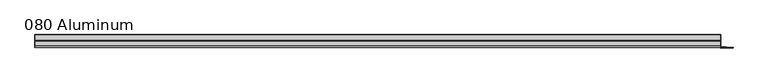
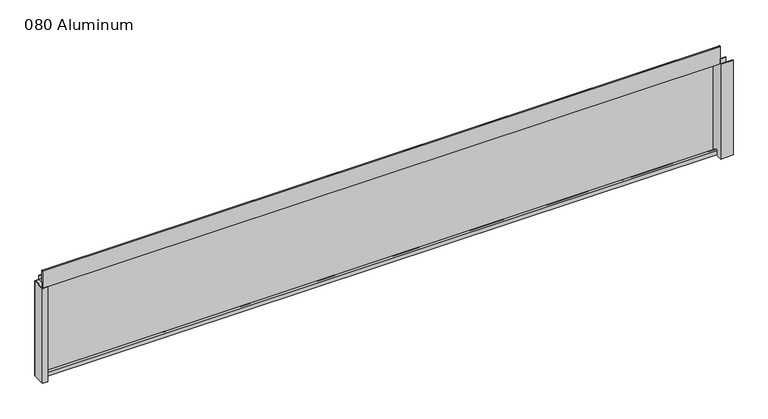
"""IFC4 building model written with IfcOpenShell, lengths in millimetres: plate geometry, 080 Aluminum."""

from ifc_helpers import new_model, si_unit, point, frame, frame_2d, origin, origin_with_axes, place, context, project, spatial, polyline, circle_curve, trimmed, segment, composite_curve, outline, extrude, source, transform, mapped, element, save


def plate_080_aluminum_24e2e65a(model_context):
    return source(origin(), model_context, "Body", "SweptSolid", [
        extrude(outline(polyline([(-919.48, 2.5660257), (-906.5894994, 2.5660257), (-906.5894994, 1.2699999), (-920.7499999, 1.2699999), (-920.7499999, 34.7980001), (-919.48, 34.7980001), (-919.48, 2.5660257)])), origin_with_axes(), (0.0, 0.0, 1.0), 270.13),
        extrude(outline(composite_curve([segment(trimmed(circle_curve(frame_2d((19.8514743, 13.124237)), 3.175), [point((16.6765477, 13.1458337))], [point((23.0264743, 13.124237))], False, "CARTESIAN"), True, "CONTINUOUS"), segment(polyline([(23.0264743, 13.124237), (23.0264743, 1.2693678), (34.7980002, 1.2693678), (34.7980002, 0.0), (21.7564743, 0.0), (21.7564743, 13.124237)]), True, "CONTINUOUS"), segment(trimmed(circle_curve(frame_2d((19.8514743, 13.124237)), 1.905), [point((21.7564743, 13.124237))], [point((17.9464915, 13.1323356))], True, "CARTESIAN"), True, "CONTINUOUS"), segment(polyline([(17.9464915, 13.1323356), (17.9464915, 2.786437), (16.6765477, 2.786437), (16.6765477, 13.1458337)]), True, "CONTINUOUS")], self_intersect=False)), frame((-919.48, 0.0, 0.0), z_axis=(1.0, 0.0, 0.0), x_axis=(0.0, 1.0, 0.0)), (0.0, 0.0, 1.0), 1826.26),
        extrude(outline(composite_curve([segment(trimmed(circle_curve(frame_2d((3.7084742, 318.5932001)), 1.6509999), [point((2.0574743, 318.5932001))], [point((5.3594742, 318.5932001))], False, "CARTESIAN"), True, "CONTINUOUS"), segment(polyline([(5.3594742, 318.5932001), (5.3594742, 285.37), (19.2164743, 285.37), (19.2164743, 295.4538), (20.4864742, 295.4538), (20.4864742, 284.1), (4.0894742, 284.1), (4.0894742, 318.5932001)]), True, "CONTINUOUS"), segment(trimmed(circle_curve(frame_2d((3.7084742, 318.5932001)), 0.3809999), [point((4.0894742, 318.5932001))], [point((3.3274743, 318.5932001))], True, "CARTESIAN"), True, "CONTINUOUS"), segment(polyline([(3.3274743, 318.5932001), (3.3274743, 271.4000001), (34.7980002, 271.4000001), (34.7980002, 270.13), (2.0574743, 270.13), (2.0574743, 318.5932001)]), True, "CONTINUOUS")], self_intersect=False)), frame((-919.48, 0.0, 0.0), z_axis=(1.0, 0.0, 0.0), x_axis=(0.0, 1.0, 0.0)), (0.0, 0.0, 1.0), 1826.26),
        extrude(outline(polyline([(-920.75, 36.068), (908.05, 36.068), (908.05, 34.7980001), (-920.75, 34.7980001), (-920.75, 36.068)])), origin_with_axes(), (0.0, 0.0, 1.0), 271.4),
        extrude(outline(polyline([(908.05, 1.2699999), (940.5620856, 1.2699999), (940.5620856, 0.0), (906.7800001, 0.0), (906.7800001, 34.7980002), (908.05, 34.7980002), (908.05, 1.2699999)])), origin_with_axes(), (0.0, 0.0, 1.0), 270.13),
        extrude(outline(polyline([(906.78, 3.3274743), (922.5279999, 3.3274743), (922.5279999, 2.0574743), (906.78, 2.0574743), (906.78, 3.3274743)])), origin_with_axes(), (0.0, 0.0, 1.0), 284.1),
    ])


if __name__ == "__main__":
    model = new_model("IFC4")
    model_context = context("Model", 3, world=origin())
    ifc_project = project(units=[si_unit("LENGTHUNIT", "METRE", prefix="MILLI")], contexts=[model_context])
    site = spatial("IfcSite", under=ifc_project)
    building = spatial("IfcBuilding", under=site)
    placement = place(None, origin())
    plate_080_aluminum_shape = plate_080_aluminum_24e2e65a(model_context)
    element("IfcPlate", 1, ObjectType="080 Aluminum", at=placement, inside=building, context=model_context, shape_type="MappedRepresentation", body=[
        mapped(plate_080_aluminum_shape, transform((0.0, 0.0, 0.0), x_axis=(1.0, 0.0, 0.0), y_axis=(0.0, 1.0, 0.0), z_axis=(0.0, 0.0, 1.0))),
    ])
    save(model, "model.ifc")
